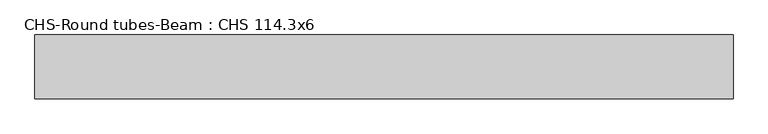
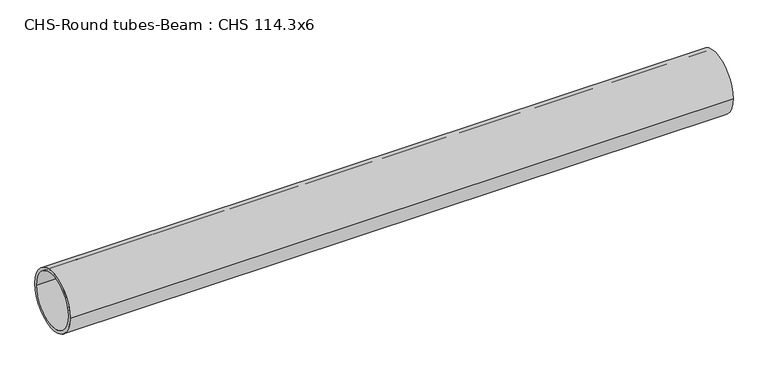
"""IFC4 building model written with IfcOpenShell, lengths in millimetres: beam geometry, CHS-Round tubes-Beam : CHS 114.3x6."""

from ifc_helpers import new_model, si_unit, point, frame, origin, origin_2d, place, context, project, spatial, circle_curve, trimmed, segment, composite_curve, outline, extrude, source, transform, mapped, element, save


def chs_round_tubes_beam_chs_114_3x6_49174282(model_context):
    return source(origin(), model_context, "Body", "SweptSolid", [
        extrude(outline(composite_curve([segment(trimmed(circle_curve(origin_2d(), 57.15), [point((57.15, 0.0))], [point((-57.15, 0.0))], False, "CARTESIAN"), True, "CONTINUOUS"), segment(trimmed(circle_curve(origin_2d(), 57.15), [point((-57.15, 0.0))], [point((57.15, 0.0))], False, "CARTESIAN"), True, "CONTINUOUS")], self_intersect=False), holes=[composite_curve([segment(trimmed(circle_curve(origin_2d(), 51.15), [point((51.15, 0.0))], [point((-51.15, 0.0))], True, "CARTESIAN"), True, "CONTINUOUS"), segment(trimmed(circle_curve(origin_2d(), 51.15), [point((-51.15, 0.0))], [point((51.15, 0.0))], True, "CARTESIAN"), True, "CONTINUOUS")], self_intersect=False)]), frame((-620.0439044, 0.0, 0.0), z_axis=(1.0, 0.0, 0.0), x_axis=(0.0, 1.0, 0.0)), (0.0, 0.0, 1.0), 1245.5599073),
    ])


if __name__ == "__main__":
    model = new_model("IFC4")
    model_context = context("Model", 3, world=origin())
    ifc_project = project(units=[si_unit("LENGTHUNIT", "METRE", prefix="MILLI")], contexts=[model_context])
    site = spatial("IfcSite", under=ifc_project)
    building = spatial("IfcBuilding", under=site)
    placement = place(None, origin())
    chs_round_tubes_beam_chs_114_3x6_shape = chs_round_tubes_beam_chs_114_3x6_49174282(model_context)
    element("IfcBeam", 1, ObjectType="CHS-Round tubes-Beam : CHS 114.3x6", at=placement, inside=building, context=model_context, shape_type="MappedRepresentation", body=[
        mapped(chs_round_tubes_beam_chs_114_3x6_shape, transform((0.0, 0.0, 0.0), x_axis=(1.0, 0.0, 0.0), y_axis=(0.0, 1.0, 0.0), z_axis=(0.0, 0.0, 1.0))),
    ])
    save(model, "model.ifc")
